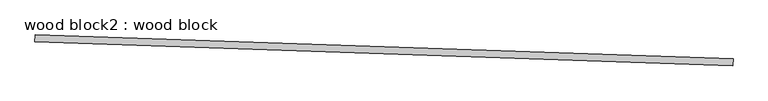
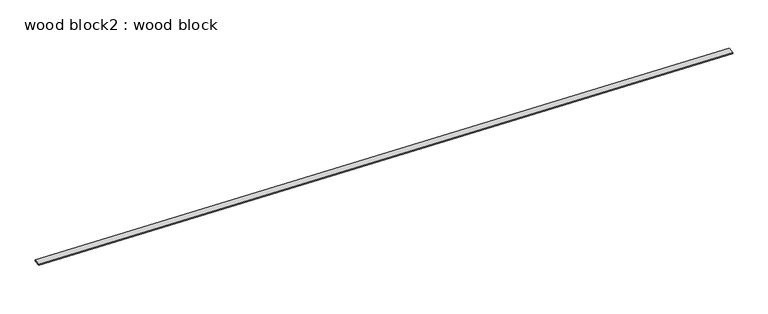
"""IFC4 building model written with IfcOpenShell, lengths in millimetres: proxy geometry, wood block2 : wood block."""

from ifc_helpers import new_model, si_unit, frame, origin, place, context, project, spatial, polyline, outline, extrude, source, transform, mapped, element, save


def wood_block2_wood_block_a8fc6163(model_context):
    return source(origin(), model_context, "Body", "SweptSolid", [
        extrude(outline(polyline([(-41.7539072, 0.0), (0.0, 0.0), (-14.9923307, -171.163347), (-41.7539072, -171.163347), (-41.7539072, 0.0)])), frame((34376.4833412, -14830.3057304, 4234.2540284), z_axis=(-0.9994149479163339, 0.03420178184527399, 0.0), x_axis=(0.0, 0.0, 1.0)), (0.0, 0.0, 1.0), 17068.8),
    ])


if __name__ == "__main__":
    model = new_model("IFC4")
    model_context = context("Model", 3, world=origin())
    ifc_project = project(units=[si_unit("LENGTHUNIT", "METRE", prefix="MILLI")], contexts=[model_context])
    site = spatial("IfcSite", under=ifc_project)
    building = spatial("IfcBuilding", under=site)
    placement = place(None, origin())
    wood_block2_wood_block_shape = wood_block2_wood_block_a8fc6163(model_context)
    element("IfcBuildingElementProxy", 1, Name="wood block2 : wood block", ObjectType="wood block2 : wood block", at=placement, inside=building, context=model_context, shape_type="MappedRepresentation", body=[
        mapped(wood_block2_wood_block_shape, transform((0.0, 0.0, 0.0), x_axis=(1.0, 0.0, 0.0), y_axis=(0.0, 1.0, 0.0), z_axis=(0.0, 0.0, 1.0))),
    ])
    save(model, "model.ifc")
